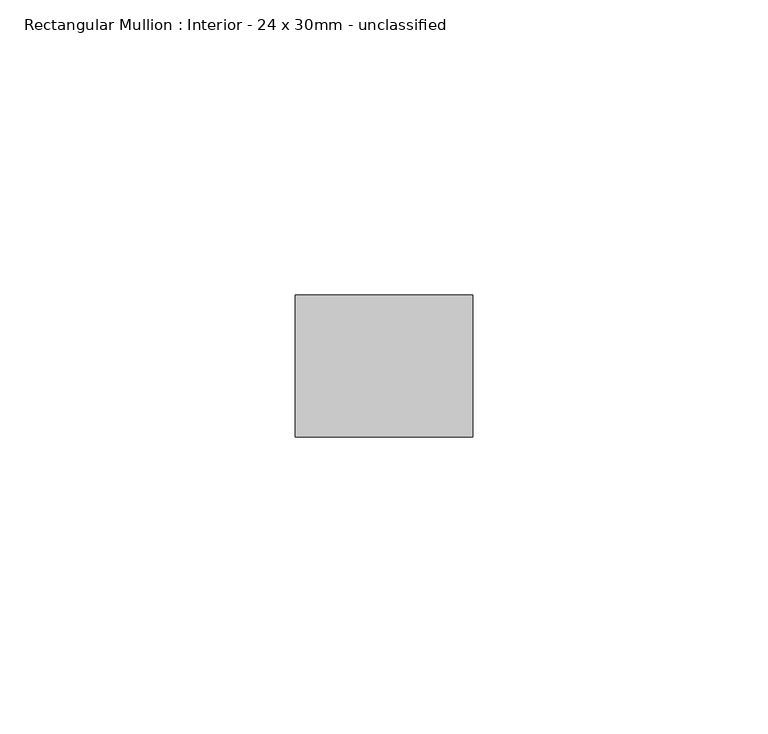
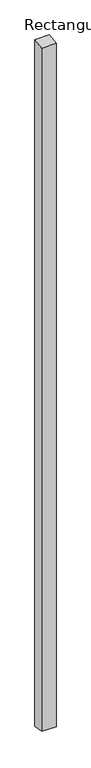
"""IFC4 building model written with IfcOpenShell, lengths in millimetres: member geometry, Rectangular Mullion : Interior - 24 x 30mm - unclassified."""

from ifc_helpers import new_model, si_unit, frame, origin, place, context, project, spatial, polyline, outline, extrude, source, transform, mapped, element, save


def rectangular_mullion_interior_24_x_30mm_unclassified_50eed00a(model_context):
    return source(origin(), model_context, "Body", "SweptSolid", [
        extrude(outline(polyline([(-12.0, -1.8205983), (12.0, 1.8205983), (12.0, -1501.8205983), (-12.0, -1498.1794017), (-12.0, -1.8205983)])), frame((-30.0, 0.0, 0.0), z_axis=(1.0, 0.0, 0.0), x_axis=(0.0, 1.0, 0.0)), (0.0, 0.0, 1.0), 30.0),
    ])


if __name__ == "__main__":
    model = new_model("IFC4")
    model_context = context("Model", 3, world=origin())
    ifc_project = project(units=[si_unit("LENGTHUNIT", "METRE", prefix="MILLI")], contexts=[model_context])
    site = spatial("IfcSite", under=ifc_project)
    building = spatial("IfcBuilding", under=site)
    placement = place(None, origin())
    rectangular_mullion_interior_24_x_30mm_unclassified_shape = rectangular_mullion_interior_24_x_30mm_unclassified_50eed00a(model_context)
    element("IfcMember", 1, ObjectType="Rectangular Mullion : Interior - 24 x 30mm - unclassified", at=placement, inside=building, context=model_context, shape_type="MappedRepresentation", body=[
        mapped(rectangular_mullion_interior_24_x_30mm_unclassified_shape, transform((0.0, 0.0, 0.0), x_axis=(1.0, 0.0, 0.0), y_axis=(0.0, 1.0, 0.0), z_axis=(0.0, 0.0, 1.0))),
    ])
    save(model, "model.ifc")
